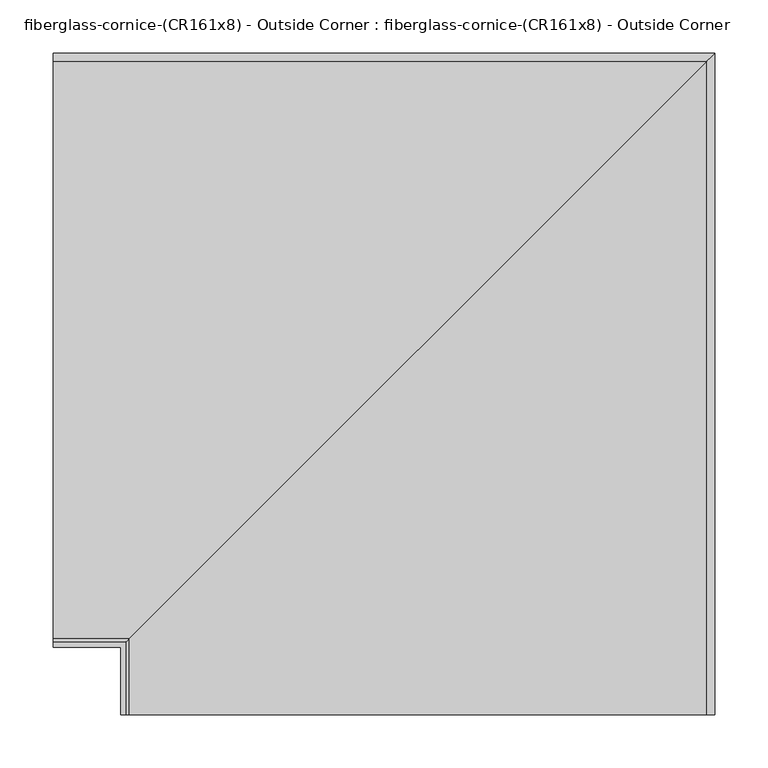
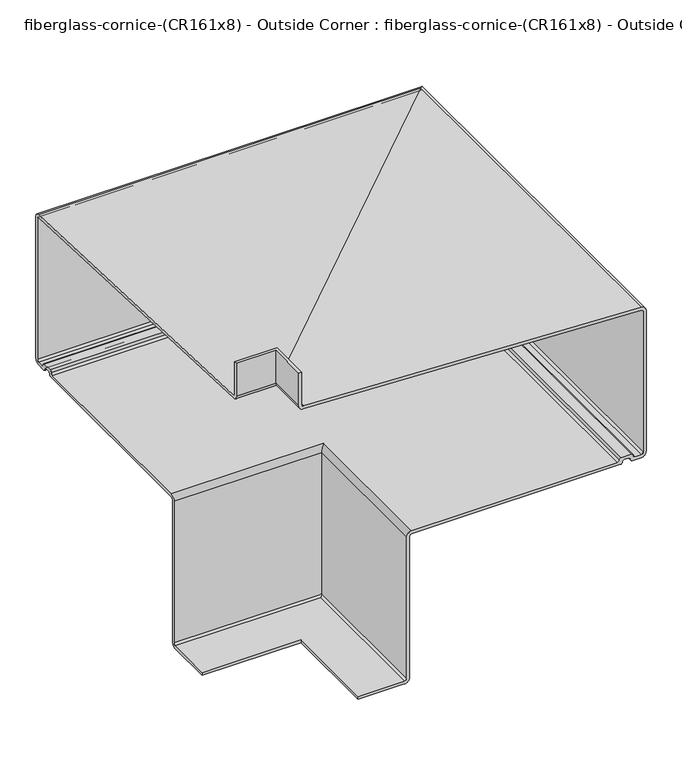
"""IFC4 building model written with IfcOpenShell, lengths in millimetres: furniture geometry, fiberglass-cornice-(CR161x8) - Outside Corner : fiberglass-cornice-(CR161x8) - Outside Corner."""

from ifc_helpers import new_model, si_unit, frame, origin, place, context, project, spatial, polyline, circle_curve, ellipse_curve, source, transform, mapped, element, save
from ifc_brep_helpers import plane_surface, cylinder_surface, revolved_surface, advanced_brep


def fiberglass_cornice_cr161x8_outside_corner_fiberglass_cornice_bf4543b7(model_context):
    return source(origin(), model_context, "Body", "AdvancedBrep", [
        advanced_brep(
        [(-196.9488213, 106.3808276, 274.5878687), (-196.9488213, 109.4353604, 271.5333359), (-196.9488213, 652.9876368, 248.8192233), (-196.9488213, 660.9629401, 240.8439199), (-196.9488213, 660.9629401, 1.3732172), (-196.9488213, 652.9948878, -6.5948351), (-196.9488213, 638.6524128, -6.5948351), (-196.9488213, 635.465193, -3.4076097), (-196.9488213, 632.2779746, -0.2203858), (-196.9488213, 625.9035323, -0.2203858), (-196.9488213, 622.7163139, -3.4076111), (-196.9488213, 619.5262266, -6.5948351), (-196.9488213, 283.2714416, -6.5948351), (-196.9488213, 280.0842231, -9.7820536), (-196.9488213, 280.0842231, -250.3692629), (-196.9488213, 272.116177, -258.3373089), (-196.9488213, 197.2159176, -258.3373089), (-196.9488213, 197.2159176, -253.5564813), (-196.9488213, 272.116177, -253.5564813), (-196.9488213, 275.3033954, -250.3692629), (-196.9488213, 275.3033954, -9.7820441), (-196.9488213, 283.2714417, -1.8139978), (-196.9488213, 614.7399727, -1.8139978), (-196.9488213, 617.9354863, 1.3732166), (-196.9488213, 621.1227047, 4.5604418), (-196.9488213, 637.0588022, 4.5604418), (-196.9488213, 640.2460207, 1.3732189), (-196.9488213, 643.4332405, -1.8140054), (-196.9488213, 652.9948899, -1.8140054), (-196.9488213, 656.1821125, 1.3732172), (-196.9488213, 656.1821125, 240.8439199), (-196.9488213, 652.9919812, 244.0340512), (-196.9488213, 108.4566948, 266.8276293), (-196.9488213, 101.6, 274.7177912), (-196.9488213, 101.6, 330.1999904), (-196.9488213, 106.3808276, 330.1999904), (-128.568775, 38.0007813, 274.5878687), (-128.568775, 38.0007813, 330.1999904), (-133.3496026, 38.0007813, 330.1999904), (-133.3496026, 38.0007813, 274.7177912), (-126.4929078, 38.0007813, 266.8276293), (418.0423786, 38.0007813, 244.0340512), (421.2325099, 38.0007813, 240.8439199), (421.2325099, 38.0007813, 1.3732172), (418.0452873, 38.0007813, -1.8140054), (408.4836379, 38.0007813, -1.8140054), (405.2964181, 38.0007813, 1.3732189), (402.1091997, 38.0007813, 4.5604418), (386.1731021, 38.0007813, 4.5604418), (382.9858837, 38.0007813, 1.3732166), (379.7903701, 38.0007813, -1.8139978), (48.3218391, 38.0007813, -1.8139978), (40.3537929, 38.0007813, -9.7820441), (40.3537929, 38.0007813, -250.3692629), (37.1665744, 38.0007813, -253.5564813), (-37.733685, 38.0007813, -253.5564813), (-37.733685, 38.0007813, -258.3373089), (37.1665744, 38.0007813, -258.3373089), (45.1346205, 38.0007813, -250.3692629), (45.1346205, 38.0007813, -9.7820536), (48.321839, 38.0007813, -6.5948351), (384.576624, 38.0007813, -6.5948351), (387.7667113, 38.0007813, -3.4076111), (390.9539297, 38.0007813, -0.2203858), (397.328372, 38.0007813, -0.2203858), (400.5155904, 38.0007813, -3.4076097), (403.7028103, 38.0007813, -6.5948351), (418.0452852, 38.0007813, -6.5948351), (426.0133375, 38.0007813, 1.3732172), (426.0133375, 38.0007813, 240.8439199), (418.0380342, 38.0007813, 248.8192233), (-125.5142422, 38.0007813, 271.5333359), (-128.568775, 106.3808276, 274.5878687), (-125.5142422, 109.4353604, 271.5333359), (418.0380342, 652.9876368, 248.8192233), (426.0133375, 660.9629401, 240.8439199), (426.0133375, 660.9629401, 1.3732172), (418.0452852, 652.9948878, -6.5948351), (403.7028103, 638.6524128, -6.5948351), (400.5155904, 635.465193, -3.4076097), (397.328372, 632.2779746, -0.2203858), (390.9539297, 625.9035323, -0.2203858), (387.7667113, 622.7163139, -3.4076111), (384.576624, 619.5262266, -6.5948351), (48.321839, 283.2714416, -6.5948351), (45.1346205, 280.0842231, -9.7820536), (45.1346205, 280.0842231, -250.3692629), (37.1665744, 272.116177, -258.3373089), (-37.733685, 197.2159176, -258.3373089), (-37.733685, 197.2159176, -253.5564813), (37.1665744, 272.116177, -253.5564813), (40.3537929, 275.3033954, -250.3692629), (40.3537929, 275.3033954, -9.7820441), (48.3218391, 283.2714417, -1.8139978), (379.7903701, 614.7399727, -1.8139978), (382.9858837, 617.9354863, 1.3732166), (386.1731021, 621.1227047, 4.5604418), (402.1091997, 637.0588022, 4.5604418), (405.2964181, 640.2460207, 1.3732189), (408.4836379, 643.4332405, -1.8140054), (418.0452873, 652.9948899, -1.8140054), (421.2325099, 656.1821125, 1.3732172), (421.2325099, 656.1821125, 240.8439199), (418.0423786, 652.9919812, 244.0340512), (-126.4929078, 108.4566948, 266.8276293), (-133.3496026, 101.6, 274.7177912), (-133.3496026, 101.6, 330.1999904), (-128.568775, 106.3808276, 330.1999904)],
        [
            (0, 1, circle_curve(frame((-196.9488213, 109.4353604, 274.5878687), z_axis=(1.0, 0.0, 0.0), x_axis=(0.0, 1.0, 0.0)), 3.0545328)),
            (1, 2),
            (2, 3, circle_curve(frame((-196.9488213, 652.9876368, 240.8439199), z_axis=(-1.0, 0.0, 0.0), x_axis=(0.0, 1.0, 0.0)), 7.9753033)),
            (3, 4),
            (4, 5, circle_curve(frame((-196.9488213, 652.9948878, 1.3732172), z_axis=(-1.0, 0.0, 0.0), x_axis=(0.0, 1.0, 0.0)), 7.9680523)),
            (5, 6),
            (6, 7, circle_curve(frame((-196.9488213, 638.6524128, -3.4076153), z_axis=(-1.0, 0.0, 0.0), x_axis=(0.0, 1.0, 0.0)), 3.1872198)),
            (7, 8, circle_curve(frame((-196.9488213, 632.2779746, -3.4076042), z_axis=(1.0, 0.0, 0.0), x_axis=(0.0, 1.0, 0.0)), 3.1872184)),
            (8, 9),
            (9, 10, circle_curve(frame((-196.9488213, 625.9035323, -3.4076042), z_axis=(1.0, 0.0, 0.0), x_axis=(0.0, 1.0, 0.0)), 3.1872184)),
            (10, 11, circle_curve(frame((-196.9488213, 619.5290955, -3.407618), z_axis=(-1.0, 0.0, 0.0), x_axis=(0.0, 1.0, 0.0)), 3.1872184)),
            (11, 12),
            (12, 13, circle_curve(frame((-196.9488213, 283.2714416, -9.7820536), z_axis=(1.0, 0.0, 0.0), x_axis=(0.0, 1.0, 0.0)), 3.1872185)),
            (13, 14),
            (14, 15, circle_curve(frame((-196.9488213, 272.116177, -250.3692629), z_axis=(-1.0, 0.0, 0.0), x_axis=(0.0, 1.0, 0.0)), 7.968046)),
            (15, 16),
            (16, 17),
            (17, 18),
            (18, 19, circle_curve(frame((-196.9488213, 272.116177, -250.3692629), z_axis=(1.0, 0.0, 0.0), x_axis=(0.0, 1.0, 0.0)), 3.1872184)),
            (19, 20),
            (20, 21, circle_curve(frame((-196.9488213, 283.2714417, -9.7820441), z_axis=(-1.0, 0.0, 0.0), x_axis=(0.0, 1.0, 0.0)), 7.9680463)),
            (21, 22),
            (22, 23, circle_curve(frame((-196.9488213, 614.7482679, 1.3732098), z_axis=(1.0, 0.0, 0.0), x_axis=(0.0, 1.0, 0.0)), 3.1872184)),
            (23, 24, circle_curve(frame((-196.9488213, 621.1227047, 1.3732234), z_axis=(-1.0, 0.0, 0.0), x_axis=(0.0, 1.0, 0.0)), 3.1872184)),
            (24, 25),
            (25, 26, circle_curve(frame((-196.9488213, 637.0588022, 1.3732234), z_axis=(-1.0, 0.0, 0.0), x_axis=(0.0, 1.0, 0.0)), 3.1872184)),
            (26, 27, circle_curve(frame((-196.9488213, 643.4332405, 1.3732144), z_axis=(1.0, 0.0, 0.0), x_axis=(0.0, 1.0, 0.0)), 3.1872198)),
            (27, 28),
            (28, 29, circle_curve(frame((-196.9488213, 652.9948899, 1.3732172), z_axis=(1.0, 0.0, 0.0), x_axis=(0.0, 1.0, 0.0)), 3.1872226)),
            (29, 30),
            (30, 31, circle_curve(frame((-196.9488213, 652.9919812, 240.8439199), z_axis=(1.0, 0.0, 0.0), x_axis=(0.0, 1.0, 0.0)), 3.1901313)),
            (31, 32),
            (32, 33, circle_curve(frame((-196.9488213, 108.7574822, 274.0133965), z_axis=(-1.0, 0.0, 0.0), x_axis=(0.0, 1.0, 0.0)), 7.1920598)),
            (33, 34),
            (34, 35),
            (35, 0),
            (36, 37),
            (37, 38),
            (38, 39),
            (39, 40, circle_curve(frame((-126.1921204, 38.0007813, 274.0133965), z_axis=(0.0, -1.0, 0.0), x_axis=(1.0, 0.0, 0.0)), 7.1920598)),
            (40, 41),
            (41, 42, circle_curve(frame((418.0423786, 38.0007813, 240.8439199), z_axis=(0.0, 1.0, 0.0), x_axis=(1.0, 0.0, 0.0)), 3.1901313)),
            (42, 43),
            (43, 44, circle_curve(frame((418.0452873, 38.0007813, 1.3732172), z_axis=(0.0, 1.0, 0.0), x_axis=(1.0, 0.0, 0.0)), 3.1872226)),
            (44, 45),
            (45, 46, circle_curve(frame((408.4836379, 38.0007813, 1.3732144), z_axis=(0.0, 1.0, 0.0), x_axis=(1.0, 0.0, 0.0)), 3.1872198)),
            (46, 47, circle_curve(frame((402.1091997, 38.0007813, 1.3732234), z_axis=(0.0, -1.0, 0.0), x_axis=(1.0, 0.0, 0.0)), 3.1872184)),
            (47, 48),
            (48, 49, circle_curve(frame((386.1731021, 38.0007813, 1.3732234), z_axis=(0.0, -1.0, 0.0), x_axis=(1.0, 0.0, 0.0)), 3.1872184)),
            (49, 50, circle_curve(frame((379.7986653, 38.0007813, 1.3732098), z_axis=(0.0, 1.0, 0.0), x_axis=(1.0, 0.0, 0.0)), 3.1872184)),
            (50, 51),
            (51, 52, circle_curve(frame((48.3218391, 38.0007813, -9.7820441), z_axis=(0.0, -1.0, 0.0), x_axis=(1.0, 0.0, 0.0)), 7.9680463)),
            (52, 53),
            (53, 54, circle_curve(frame((37.1665744, 38.0007813, -250.3692629), z_axis=(0.0, 1.0, 0.0), x_axis=(1.0, 0.0, 0.0)), 3.1872184)),
            (54, 55),
            (55, 56),
            (56, 57),
            (57, 58, circle_curve(frame((37.1665744, 38.0007813, -250.3692629), z_axis=(0.0, -1.0, 0.0), x_axis=(1.0, 0.0, 0.0)), 7.968046)),
            (58, 59),
            (59, 60, circle_curve(frame((48.321839, 38.0007813, -9.7820536), z_axis=(0.0, 1.0, 0.0), x_axis=(1.0, 0.0, 0.0)), 3.1872185)),
            (60, 61),
            (61, 62, circle_curve(frame((384.5794929, 38.0007813, -3.407618), z_axis=(0.0, -1.0, 0.0), x_axis=(1.0, 0.0, 0.0)), 3.1872184)),
            (62, 63, circle_curve(frame((390.9539297, 38.0007813, -3.4076042), z_axis=(0.0, 1.0, 0.0), x_axis=(1.0, 0.0, 0.0)), 3.1872184)),
            (63, 64),
            (64, 65, circle_curve(frame((397.328372, 38.0007813, -3.4076042), z_axis=(0.0, 1.0, 0.0), x_axis=(1.0, 0.0, 0.0)), 3.1872184)),
            (65, 66, circle_curve(frame((403.7028103, 38.0007813, -3.4076153), z_axis=(0.0, -1.0, 0.0), x_axis=(1.0, 0.0, 0.0)), 3.1872198)),
            (66, 67),
            (67, 68, circle_curve(frame((418.0452852, 38.0007813, 1.3732172), z_axis=(0.0, -1.0, 0.0), x_axis=(1.0, 0.0, 0.0)), 7.9680523)),
            (68, 69),
            (69, 70, circle_curve(frame((418.0380342, 38.0007813, 240.8439199), z_axis=(0.0, -1.0, 0.0), x_axis=(1.0, 0.0, 0.0)), 7.9753033)),
            (70, 71),
            (71, 36, circle_curve(frame((-125.5142422, 38.0007813, 274.5878687), z_axis=(0.0, 1.0, 0.0), x_axis=(1.0, 0.0, 0.0)), 3.0545328)),
            (0, 72),
            (72, 73, ellipse_curve(frame((-125.5142422, 109.4353604, 274.5878687), z_axis=(0.7071067811865563, -0.7071067811865387, 0.0), x_axis=(0.7071067811865387, 0.7071067811865565, 0.0)), 4.3197617, 3.0545328)),
            (73, 1),
            (73, 74),
            (74, 2),
            (74, 75, ellipse_curve(frame((418.0380342, 652.9876368, 240.8439199), z_axis=(-0.7071067811865563, 0.7071067811865387, 0.0), x_axis=(-0.7071067811865387, -0.7071067811865565, 0.0)), 11.2787821, 7.9753033)),
            (75, 3),
            (75, 76),
            (76, 4),
            (76, 77, ellipse_curve(frame((418.0452852, 652.9948878, 1.3732172), z_axis=(-0.7071067811865563, 0.7071067811865387, 0.0), x_axis=(-0.7071067811865387, -0.7071067811865565, 0.0)), 11.2685276, 7.9680523)),
            (77, 5),
            (77, 67),
            (66, 78),
            (78, 6),
            (78, 79, ellipse_curve(frame((403.7028103, 638.6524128, -3.4076153), z_axis=(-0.7071067811865563, 0.7071067811865387, 0.0), x_axis=(-0.7071067811865387, -0.7071067811865565, 0.0)), 4.5074095, 3.1872198)),
            (79, 7),
            (79, 80, ellipse_curve(frame((397.328372, 632.2779746, -3.4076042), z_axis=(0.7071067811865563, -0.7071067811865387, 0.0), x_axis=(0.7071067811865387, 0.7071067811865565, 0.0)), 4.5074075, 3.1872184)),
            (80, 8),
            (80, 64),
            (63, 81),
            (81, 9),
            (81, 82, ellipse_curve(frame((390.9539297, 625.9035323, -3.4076042), z_axis=(0.7071067811865563, -0.7071067811865387, 0.0), x_axis=(0.7071067811865387, 0.7071067811865565, 0.0)), 4.5074075, 3.1872184)),
            (82, 10),
            (82, 83, ellipse_curve(frame((384.5794929, 619.5290955, -3.407618), z_axis=(-0.7071067811865563, 0.7071067811865387, 0.0), x_axis=(-0.7071067811865387, -0.7071067811865565, 0.0)), 4.5074075, 3.1872184)),
            (83, 11),
            (83, 61),
            (60, 84),
            (84, 12),
            (84, 85, ellipse_curve(frame((48.321839, 283.2714416, -9.7820536), z_axis=(0.7071067811865563, -0.7071067811865387, 0.0), x_axis=(0.7071067811865387, 0.7071067811865565, 0.0)), 4.5074076, 3.1872185)),
            (85, 13),
            (85, 86),
            (86, 14),
            (86, 87, ellipse_curve(frame((37.1665744, 272.116177, -250.3692629), z_axis=(-0.7071067811865563, 0.7071067811865387, 0.0), x_axis=(-0.7071067811865387, -0.7071067811865565, 0.0)), 11.2685188, 7.968046)),
            (87, 15),
            (87, 57),
            (56, 88),
            (88, 16),
            (88, 89),
            (89, 17),
            (89, 55),
            (54, 90),
            (90, 18),
            (90, 91, ellipse_curve(frame((37.1665744, 272.116177, -250.3692629), z_axis=(0.7071067811865563, -0.7071067811865387, 0.0), x_axis=(0.7071067811865387, 0.7071067811865565, 0.0)), 4.5074075, 3.1872184)),
            (91, 19),
            (91, 92),
            (92, 20),
            (92, 93, ellipse_curve(frame((48.3218391, 283.2714417, -9.7820441), z_axis=(-0.7071067811865563, 0.7071067811865387, 0.0), x_axis=(-0.7071067811865387, -0.7071067811865565, 0.0)), 11.2685191, 7.9680463)),
            (93, 21),
            (93, 51),
            (50, 94),
            (94, 22),
            (94, 95, ellipse_curve(frame((379.7986653, 614.7482679, 1.3732098), z_axis=(0.7071067811865563, -0.7071067811865387, 0.0), x_axis=(0.7071067811865387, 0.7071067811865565, 0.0)), 4.5074075, 3.1872184)),
            (95, 23),
            (95, 96, ellipse_curve(frame((386.1731021, 621.1227047, 1.3732234), z_axis=(-0.7071067811865563, 0.7071067811865387, 0.0), x_axis=(-0.7071067811865387, -0.7071067811865565, 0.0)), 4.5074075, 3.1872184)),
            (96, 24),
            (96, 48),
            (47, 97),
            (97, 25),
            (97, 98, ellipse_curve(frame((402.1091997, 637.0588022, 1.3732234), z_axis=(-0.7071067811865563, 0.7071067811865387, 0.0), x_axis=(-0.7071067811865387, -0.7071067811865565, 0.0)), 4.5074075, 3.1872184)),
            (98, 26),
            (98, 99, ellipse_curve(frame((408.4836379, 643.4332405, 1.3732144), z_axis=(0.7071067811865563, -0.7071067811865387, 0.0), x_axis=(0.7071067811865387, 0.7071067811865565, 0.0)), 4.5074095, 3.1872198)),
            (99, 27),
            (99, 45),
            (44, 100),
            (100, 28),
            (100, 101, ellipse_curve(frame((418.0452873, 652.9948899, 1.3732172), z_axis=(0.7071067811865563, -0.7071067811865387, 0.0), x_axis=(0.7071067811865387, 0.7071067811865565, 0.0)), 4.5074134, 3.1872226)),
            (101, 29),
            (101, 102),
            (102, 30),
            (102, 103, ellipse_curve(frame((418.0423786, 652.9919812, 240.8439199), z_axis=(0.7071067811865563, -0.7071067811865387, 0.0), x_axis=(0.7071067811865387, 0.7071067811865565, 0.0)), 4.511527, 3.1901313)),
            (103, 31),
            (103, 104),
            (104, 32),
            (104, 105, ellipse_curve(frame((-126.1921204, 108.7574822, 274.0133965), z_axis=(-0.7071067811865563, 0.7071067811865387, 0.0), x_axis=(-0.7071067811865387, -0.7071067811865565, 0.0)), 10.1711084, 7.1920598)),
            (105, 33),
            (105, 106),
            (106, 34),
            (106, 38),
            (37, 107),
            (107, 35),
            (107, 72),
            (72, 36),
            (71, 73),
            (70, 74),
            (69, 75),
            (68, 76),
            (65, 79),
            (62, 82),
            (59, 85),
            (58, 86),
            (53, 91),
            (52, 92),
            (49, 95),
            (46, 98),
            (43, 101),
            (42, 102),
            (41, 103),
            (40, 104),
            (39, 105),
        ],
        [
            plane_surface(frame((-196.9488213, 101.6, 330.1999904), z_axis=(-1.0, 0.0, 0.0), x_axis=(0.0, 0.0, 1.0))),
            plane_surface(frame((-133.3496026, 38.0007813, 330.1999904), z_axis=(0.0, -1.0, 0.0), x_axis=(0.0, 0.0, 1.0))),
            revolved_surface(polyline([(-122.4597094088201, 112.4898932, 274.5878687), (-196.9488213, 112.4898932, 274.5878687)]), (-196.9488213, 109.4353604, 274.5878687), (1.0, 0.0, 0.0)),
            plane_surface(frame((-196.9488213, 109.4353604, 271.5333359), z_axis=(0.0, 0.04175183727404034, 0.9991280118604633), x_axis=(1.0, 0.0, 0.0))),
            cylinder_surface(frame((-196.9488213, 652.9876368, 240.8439199), z_axis=(-1.0, 0.0, 0.0), x_axis=(0.0, 1.0, 0.0)), 7.9753033),
            plane_surface(frame((-196.9488213, 660.9629401, 240.8439199), z_axis=(0.0, 1.0, 0.0), x_axis=(1.0, 0.0, 0.0))),
            cylinder_surface(frame((-196.9488213, 652.9948878, 1.3732172), z_axis=(-1.0, 0.0, 0.0), x_axis=(0.0, 1.0, 0.0)), 7.9680523),
            plane_surface(frame((-196.9488213, 652.9948878, -6.5948351), z_axis=(0.0, 0.0, -1.0), x_axis=(1.0, 0.0, 0.0))),
            cylinder_surface(frame((-196.9488213, 638.6524128, -3.4076153), z_axis=(-1.0, 0.0, 0.0), x_axis=(0.0, 1.0, 0.0)), 3.1872198),
            revolved_surface(polyline([(400.51559040882114, 635.465193, -3.4076042), (-196.9488213, 635.465193, -3.4076042)]), (-196.9488213, 632.2779746, -3.4076042), (1.0, 0.0, 0.0)),
            plane_surface(frame((-196.9488213, 632.2779746, -0.2203858), z_axis=(0.0, 0.0, -1.0), x_axis=(1.0, 0.0, 0.0))),
            revolved_surface(polyline([(394.1411481088211, 629.0907507000001, -3.4076042), (-196.9488213, 629.0907507000001, -3.4076042)]), (-196.9488213, 625.9035323, -3.4076042), (1.0, 0.0, 0.0)),
            cylinder_surface(frame((-196.9488213, 619.5290955, -3.407618), z_axis=(-1.0, 0.0, 0.0), x_axis=(0.0, 1.0, 0.0)), 3.1872184),
            plane_surface(frame((-196.9488213, 619.5262266, -6.5948351), z_axis=(0.0, 0.0, -1.0), x_axis=(1.0, 0.0, 0.0))),
            revolved_surface(polyline([(51.50905747953172, 286.4586601, -9.7820536), (-196.9488213, 286.4586601, -9.7820536)]), (-196.9488213, 283.2714416, -9.7820536), (1.0, 0.0, 0.0)),
            plane_surface(frame((-196.9488213, 280.0842231, -9.7820536), z_axis=(0.0, 1.0, 0.0), x_axis=(1.0, 0.0, 0.0))),
            cylinder_surface(frame((-196.9488213, 272.116177, -250.3692629), z_axis=(-1.0, 0.0, 0.0), x_axis=(0.0, 1.0, 0.0)), 7.968046),
            plane_surface(frame((-196.9488213, 272.116177, -258.3373089), z_axis=(0.0, 0.0, -1.0), x_axis=(1.0, 0.0, 0.0))),
            plane_surface(frame((-196.9488213, 197.2159176, -258.3373089), z_axis=(0.0, -1.0, 0.0), x_axis=(1.0, 0.0, 0.0))),
            plane_surface(frame((-196.9488213, 197.2159176, -253.5564813), z_axis=(0.0, 0.0, 1.0), x_axis=(1.0, 0.0, 0.0))),
            revolved_surface(polyline([(40.3537929, 275.3033954, -250.3692629), (-196.9488213, 275.3033954, -250.3692629)]), (-196.9488213, 272.116177, -250.3692629), (1.0, 0.0, 0.0)),
            plane_surface(frame((-196.9488213, 275.3033954, -250.3692629), z_axis=(0.0, -1.0, 0.0), x_axis=(1.0, 0.0, 0.0))),
            cylinder_surface(frame((-196.9488213, 283.2714417, -9.7820441), z_axis=(-1.0, 0.0, 0.0), x_axis=(0.0, 1.0, 0.0)), 7.9680463),
            plane_surface(frame((-196.9488213, 283.2714417, -1.8139978), z_axis=(0.0, 0.0, 1.0), x_axis=(1.0, 0.0, 0.0))),
            revolved_surface(polyline([(382.9858837088211, 617.9354863, 1.3732098), (-196.9488213, 617.9354863, 1.3732098)]), (-196.9488213, 614.7482679, 1.3732098), (1.0, 0.0, 0.0)),
            cylinder_surface(frame((-196.9488213, 621.1227047, 1.3732234), z_axis=(-1.0, 0.0, 0.0), x_axis=(0.0, 1.0, 0.0)), 3.1872184),
            plane_surface(frame((-196.9488213, 621.1227047, 4.5604418), z_axis=(0.0, 0.0, 1.0), x_axis=(1.0, 0.0, 0.0))),
            cylinder_surface(frame((-196.9488213, 637.0588022, 1.3732234), z_axis=(-1.0, 0.0, 0.0), x_axis=(0.0, 1.0, 0.0)), 3.1872184),
            revolved_surface(polyline([(411.6708577230347, 646.6204603, 1.3732144), (-196.9488213, 646.6204603, 1.3732144)]), (-196.9488213, 643.4332405, 1.3732144), (1.0, 0.0, 0.0)),
            plane_surface(frame((-196.9488213, 643.4332405, -1.8140054), z_axis=(0.0, 0.0, 1.0), x_axis=(1.0, 0.0, 0.0))),
            revolved_surface(polyline([(421.2325099000001, 656.1821125, 1.3732172), (-196.9488213, 656.1821125, 1.3732172)]), (-196.9488213, 652.9948899, 1.3732172), (1.0, 0.0, 0.0)),
            plane_surface(frame((-196.9488213, 656.1821125, 1.3732172), z_axis=(0.0, -1.0, 0.0), x_axis=(1.0, 0.0, 0.0))),
            revolved_surface(polyline([(421.23250993520617, 656.1821125, 240.8439199), (-196.9488213, 656.1821125, 240.8439199)]), (-196.9488213, 652.9919812, 240.8439199), (1.0, 0.0, 0.0)),
            plane_surface(frame((-196.9488213, 652.9919812, 244.0340512), z_axis=(0.0, -0.041822147847125006, -0.9991250712245456), x_axis=(1.0, 0.0, 0.0))),
            cylinder_surface(frame((-196.9488213, 108.7574822, 274.0133965), z_axis=(-1.0, 0.0, 0.0), x_axis=(0.0, 1.0, 0.0)), 7.1920598),
            plane_surface(frame((-196.9488213, 101.6, 274.7177912), z_axis=(0.0, -1.0, 0.0), x_axis=(1.0, 0.0, 0.0))),
            plane_surface(frame((-196.9488213, 101.6, 330.1999904), z_axis=(0.0, 0.0, 1.0), x_axis=(1.0, 0.0, 0.0))),
            plane_surface(frame((-196.9488213, 106.3808276, 330.1999904), z_axis=(0.0, 1.0, 0.0), x_axis=(1.0, 0.0, 0.0))),
            revolved_surface(polyline([(-122.4597094, 38.0007813, 274.5878687), (-122.4597094, 112.48989319117996, 274.5878687)]), (-125.5142422, 101.6, 274.5878687), (0.0, -1.0, 0.0)),
            plane_surface(frame((-125.5142422, 109.4353604, 271.5333359), z_axis=(0.041751837274040346, 0.0, 0.9991280118604633), x_axis=(0.0, -1.0, 0.0))),
            cylinder_surface(frame((418.0380342, 101.6, 240.8439199), z_axis=(0.0, 1.0, 0.0), x_axis=(1.0, 0.0, 0.0)), 7.9753033),
            plane_surface(frame((426.0133375, 660.9629401, 240.8439199), z_axis=(1.0, 0.0, 0.0), x_axis=(0.0, -1.0, 0.0))),
            cylinder_surface(frame((418.0452852, 101.6, 1.3732172), z_axis=(0.0, 1.0, 0.0), x_axis=(1.0, 0.0, 0.0)), 7.9680523),
            cylinder_surface(frame((403.7028103, 101.6, -3.4076153), z_axis=(0.0, 1.0, 0.0), x_axis=(1.0, 0.0, 0.0)), 3.1872198),
            revolved_surface(polyline([(400.5155904, 38.0007813, -3.4076042), (400.5155904, 635.4651930088212, -3.4076042)]), (397.328372, 101.6, -3.4076042), (0.0, -1.0, 0.0)),
            revolved_surface(polyline([(394.1411481, 38.0007813, -3.4076042), (394.1411481, 629.0907507088212, -3.4076042)]), (390.9539297, 101.6, -3.4076042), (0.0, -1.0, 0.0)),
            cylinder_surface(frame((384.5794929, 101.6, -3.407618), z_axis=(0.0, 1.0, 0.0), x_axis=(1.0, 0.0, 0.0)), 3.1872184),
            revolved_surface(polyline([(51.5090575, 38.0007813, -9.7820536), (51.5090575, 286.4586600795318, -9.7820536)]), (48.321839, 101.6, -9.7820536), (0.0, -1.0, 0.0)),
            plane_surface(frame((45.1346205, 280.0842231, -9.7820536), z_axis=(1.0, 0.0, 0.0), x_axis=(0.0, -1.0, 0.0))),
            cylinder_surface(frame((37.1665744, 101.6, -250.3692629), z_axis=(0.0, 1.0, 0.0), x_axis=(1.0, 0.0, 0.0)), 7.968046),
            plane_surface(frame((-37.733685, 197.2159176, -258.3373089), z_axis=(-1.0, 0.0, 0.0), x_axis=(0.0, -1.0, 0.0))),
            revolved_surface(polyline([(40.3537928, 38.0007813, -250.3692629), (40.3537928, 275.30339540882113, -250.3692629)]), (37.1665744, 101.6, -250.3692629), (0.0, -1.0, 0.0)),
            plane_surface(frame((40.3537929, 275.3033954, -250.3692629), z_axis=(-1.0, 0.0, 0.0), x_axis=(0.0, -1.0, 0.0))),
            cylinder_surface(frame((48.3218391, 101.6, -9.7820441), z_axis=(0.0, 1.0, 0.0), x_axis=(1.0, 0.0, 0.0)), 7.9680463),
            revolved_surface(polyline([(382.9858837, 38.0007813, 1.3732098), (382.9858837, 617.9354863088212, 1.3732098)]), (379.7986653, 101.6, 1.3732098), (0.0, -1.0, 0.0)),
            cylinder_surface(frame((386.1731021, 101.6, 1.3732234), z_axis=(0.0, 1.0, 0.0), x_axis=(1.0, 0.0, 0.0)), 3.1872184),
            cylinder_surface(frame((402.1091997, 101.6, 1.3732234), z_axis=(0.0, 1.0, 0.0), x_axis=(1.0, 0.0, 0.0)), 3.1872184),
            revolved_surface(polyline([(411.6708577, 38.0007813, 1.3732144), (411.6708577, 646.6204603230348, 1.3732144)]), (408.4836379, 101.6, 1.3732144), (0.0, -1.0, 0.0)),
            revolved_surface(polyline([(421.23250989999997, 38.0007813, 1.3732172), (421.23250989999997, 656.1821125, 1.3732172)]), (418.0452873, 101.6, 1.3732172), (0.0, -1.0, 0.0)),
            plane_surface(frame((421.2325099, 656.1821125, 1.3732172), z_axis=(-1.0, 0.0, 0.0), x_axis=(0.0, -1.0, 0.0))),
            revolved_surface(polyline([(421.2325099, 38.0007813, 240.8439199), (421.2325099, 656.1821125352063, 240.8439199)]), (418.0423786, 101.6, 240.8439199), (0.0, -1.0, 0.0)),
            plane_surface(frame((418.0423786, 652.9919812, 244.0340512), z_axis=(-0.04182214784712501, 0.0, -0.9991250712245456), x_axis=(0.0, -1.0, 0.0))),
            cylinder_surface(frame((-126.1921204, 101.6, 274.0133965), z_axis=(0.0, 1.0, 0.0), x_axis=(1.0, 0.0, 0.0)), 7.1920598),
            plane_surface(frame((-133.3496026, 101.6, 274.7177912), z_axis=(-1.0, 0.0, 0.0), x_axis=(0.0, -1.0, 0.0))),
            plane_surface(frame((-128.568775, 106.3808276, 330.1999904), z_axis=(1.0, 0.0, 0.0), x_axis=(0.0, -1.0, 0.0))),
        ],
        [
            (0, [[1, 2, 3, 4, 5, 6, 7, 8, 9, 10, 11, 12, 13, 14, 15, 16, 17, 18, 19, 20, 21, 22, 23, 24, 25, 26, 27, 28, 29, 30, 31, 32, 33, 34, 35, 36]]),
            (1, [[37, 38, 39, 40, 41, 42, 43, 44, 45, 46, 47, 48, 49, 50, 51, 52, 53, 54, 55, 56, 57, 58, 59, 60, 61, 62, 63, 64, 65, 66, 67, 68, 69, 70, 71, 72]]),
            (2, [[-1, 73, 74, 75]]),
            (3, [[-2, -75, 76, 77]]),
            (4, [[-3, -77, 78, 79]]),
            (5, [[-4, -79, 80, 81]]),
            (6, [[-5, -81, 82, 83]]),
            (7, [[-6, -83, 84, -67, 85, 86]]),
            (8, [[-7, -86, 87, 88]]),
            (9, [[-8, -88, 89, 90]]),
            (10, [[-9, -90, 91, -64, 92, 93]]),
            (11, [[-10, -93, 94, 95]]),
            (12, [[-11, -95, 96, 97]]),
            (13, [[-12, -97, 98, -61, 99, 100]]),
            (14, [[-13, -100, 101, 102]]),
            (15, [[-14, -102, 103, 104]]),
            (16, [[-15, -104, 105, 106]]),
            (17, [[-16, -106, 107, -57, 108, 109]]),
            (18, [[-17, -109, 110, 111]]),
            (19, [[-18, -111, 112, -55, 113, 114]]),
            (20, [[-19, -114, 115, 116]]),
            (21, [[-20, -116, 117, 118]]),
            (22, [[-21, -118, 119, 120]]),
            (23, [[-22, -120, 121, -51, 122, 123]]),
            (24, [[-23, -123, 124, 125]]),
            (25, [[-24, -125, 126, 127]]),
            (26, [[-25, -127, 128, -48, 129, 130]]),
            (27, [[-26, -130, 131, 132]]),
            (28, [[-27, -132, 133, 134]]),
            (29, [[-28, -134, 135, -45, 136, 137]]),
            (30, [[-29, -137, 138, 139]]),
            (31, [[-30, -139, 140, 141]]),
            (32, [[-31, -141, 142, 143]]),
            (33, [[-32, -143, 144, 145]]),
            (34, [[-33, -145, 146, 147]]),
            (35, [[-34, -147, 148, 149]]),
            (36, [[-35, -149, 150, -38, 151, 152]]),
            (37, [[-36, -152, 153, -73]]),
            (38, [[-74, 154, -72, 155]]),
            (39, [[-76, -155, -71, 156]]),
            (40, [[-78, -156, -70, 157]]),
            (41, [[-80, -157, -69, 158]]),
            (42, [[-82, -158, -68, -84]]),
            (43, [[-87, -85, -66, 159]]),
            (44, [[-89, -159, -65, -91]]),
            (45, [[-94, -92, -63, 160]]),
            (46, [[-96, -160, -62, -98]]),
            (47, [[-101, -99, -60, 161]]),
            (48, [[-103, -161, -59, 162]]),
            (49, [[-105, -162, -58, -107]]),
            (50, [[-110, -108, -56, -112]]),
            (51, [[-115, -113, -54, 163]]),
            (52, [[-117, -163, -53, 164]]),
            (53, [[-119, -164, -52, -121]]),
            (54, [[-124, -122, -50, 165]]),
            (55, [[-126, -165, -49, -128]]),
            (56, [[-131, -129, -47, 166]]),
            (57, [[-133, -166, -46, -135]]),
            (58, [[-138, -136, -44, 167]]),
            (59, [[-140, -167, -43, 168]]),
            (60, [[-142, -168, -42, 169]]),
            (61, [[-144, -169, -41, 170]]),
            (62, [[-146, -170, -40, 171]]),
            (63, [[-148, -171, -39, -150]]),
            (64, [[-153, -151, -37, -154]]),
        ],
    ),
    ])


if __name__ == "__main__":
    model = new_model("IFC4")
    model_context = context("Model", 3, world=origin())
    ifc_project = project(units=[si_unit("LENGTHUNIT", "METRE", prefix="MILLI")], contexts=[model_context])
    site = spatial("IfcSite", under=ifc_project)
    building = spatial("IfcBuilding", under=site)
    placement = place(None, origin())
    fiberglass_cornice_cr161x8_outside_corner_fiberglass_cornice_shape = fiberglass_cornice_cr161x8_outside_corner_fiberglass_cornice_bf4543b7(model_context)
    element("IfcFurniture", 1, ObjectType="fiberglass-cornice-(CR161x8) - Outside Corner : fiberglass-cornice-(CR161x8) - Outside Corner", at=placement, inside=building, context=model_context, shape_type="MappedRepresentation", body=[
        mapped(fiberglass_cornice_cr161x8_outside_corner_fiberglass_cornice_shape, transform((0.0, 0.0, 0.0), x_axis=(1.0, 0.0, 0.0), y_axis=(0.0, 1.0, 0.0), z_axis=(0.0, 0.0, 1.0))),
    ])
    save(model, "model.ifc")
